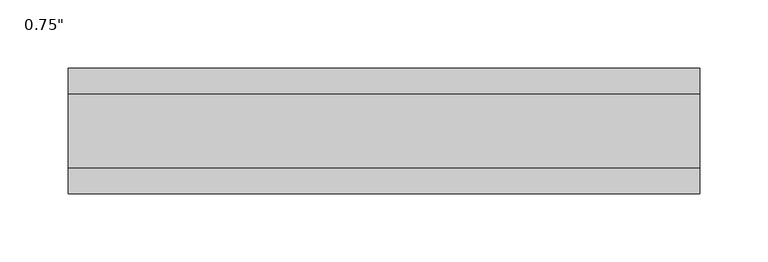
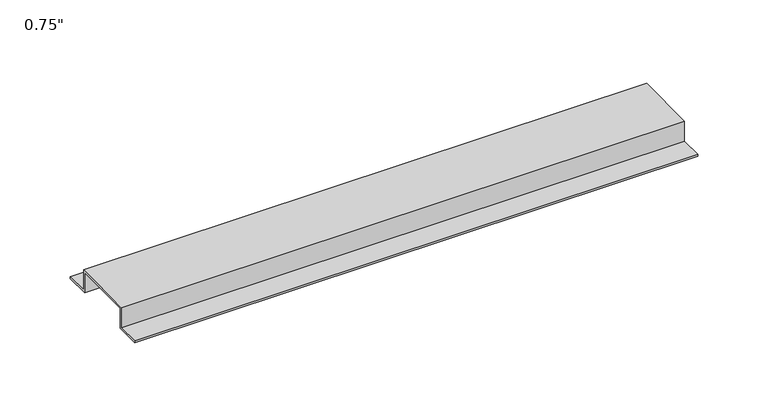
"""IFC4 building model written with IfcOpenShell, lengths in millimetres: proxy geometry."""

from ifc_helpers import new_model, si_unit, frame, origin, place, context, project, spatial, polyline, outline, extrude, source, transform, mapped, element, save


def proxy_29b665aa(model_context):
    return source(origin(), model_context, "Body", "SweptSolid", [
        extrude(outline(polyline([(46.0559645, -17.4625), (25.4, -17.4625), (25.4, 0.0), (-25.4, 0.0), (-25.4, -17.4625), (-46.0559645, -17.4625), (-46.0559645, -15.8492), (-27.0129, -15.8492), (-27.0129, 1.6129), (27.0129, 1.6129), (27.0129, -15.8492), (46.0559645, -15.8492), (46.0559645, -17.4625)])), frame((0.0, 0.0, 0.0), z_axis=(1.0, 0.0, 0.0), x_axis=(0.0, 1.0, 0.0)), (0.0, 0.0, 1.0), 463.4622709),
    ])


if __name__ == "__main__":
    model = new_model("IFC4")
    model_context = context("Model", 3, world=origin())
    ifc_project = project(units=[si_unit("LENGTHUNIT", "METRE", prefix="MILLI")], contexts=[model_context])
    site = spatial("IfcSite", under=ifc_project)
    building = spatial("IfcBuilding", under=site)
    placement = place(None, origin())
    proxy_shape = proxy_29b665aa(model_context)
    element("IfcBuildingElementProxy", 1, Name="0.75\"", ObjectType="0.75\"", at=placement, inside=building, context=model_context, shape_type="MappedRepresentation", body=[
        mapped(proxy_shape, transform((0.0, 0.0, 0.0), x_axis=(1.0, 0.0, 0.0), y_axis=(0.0, 1.0, 0.0), z_axis=(0.0, 0.0, 1.0))),
    ])
    save(model, "model.ifc")
